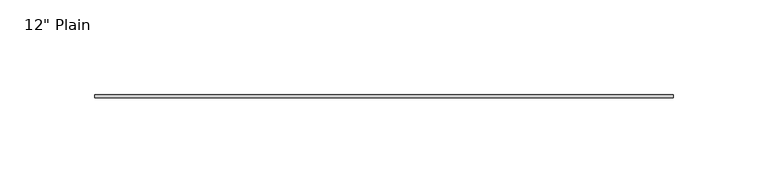
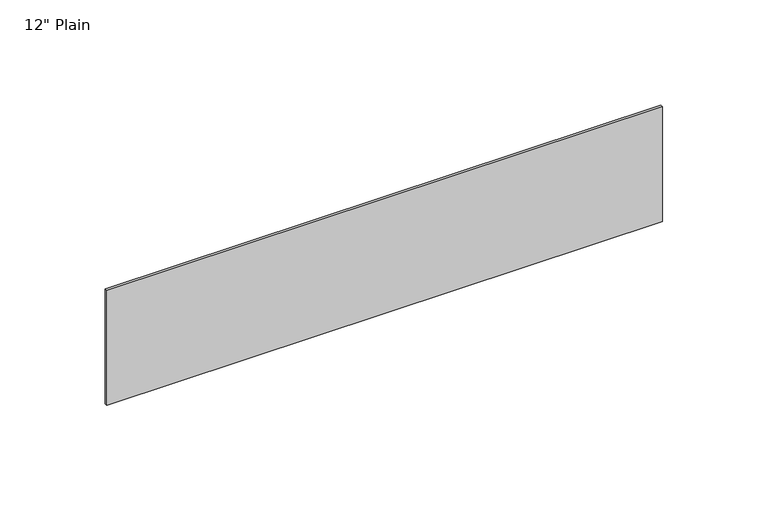
"""IFC4 building model written with IfcOpenShell, lengths in millimetres: furniture geometry."""

from ifc_helpers import new_model, si_unit, frame, origin, place, context, project, spatial, polyline, outline, extrude, source, transform, mapped, element, save


def furniture_78b3ec56(model_context):
    return source(origin(), model_context, "Body", "SweptSolid", [
        extrude(outline(polyline([(171.1377049, -1.5875), (-133.6622951, -1.5875), (-133.6622951, 0.0), (171.1377049, 0.0), (171.1377049, -1.5875)])), frame((0.0, 0.0, 993.775), z_axis=(0.0, 0.0, 1.0), x_axis=(1.0, 0.0, 0.0)), (0.0, 0.0, 1.0), 66.675),
    ])


if __name__ == "__main__":
    model = new_model("IFC4")
    model_context = context("Model", 3, world=origin())
    ifc_project = project(units=[si_unit("LENGTHUNIT", "METRE", prefix="MILLI")], contexts=[model_context])
    site = spatial("IfcSite", under=ifc_project)
    building = spatial("IfcBuilding", under=site)
    placement = place(None, origin())
    furniture_shape = furniture_78b3ec56(model_context)
    element("IfcFurniture", 1, ObjectType="12\" Plain", at=placement, inside=building, context=model_context, shape_type="MappedRepresentation", body=[
        mapped(furniture_shape, transform((0.0, 0.0, 0.0), x_axis=(1.0, 0.0, 0.0), y_axis=(0.0, 1.0, 0.0), z_axis=(0.0, 0.0, 1.0))),
    ])
    save(model, "model.ifc")
